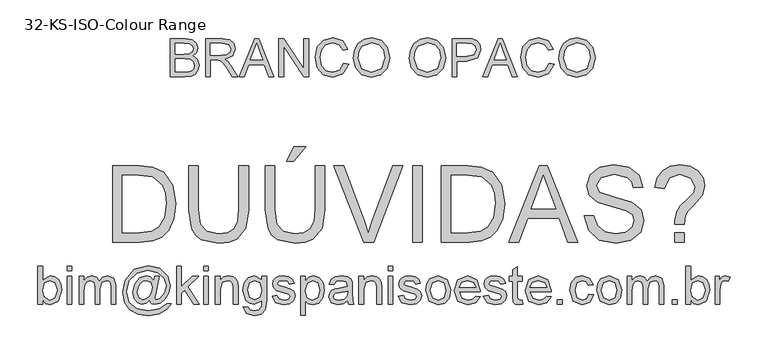
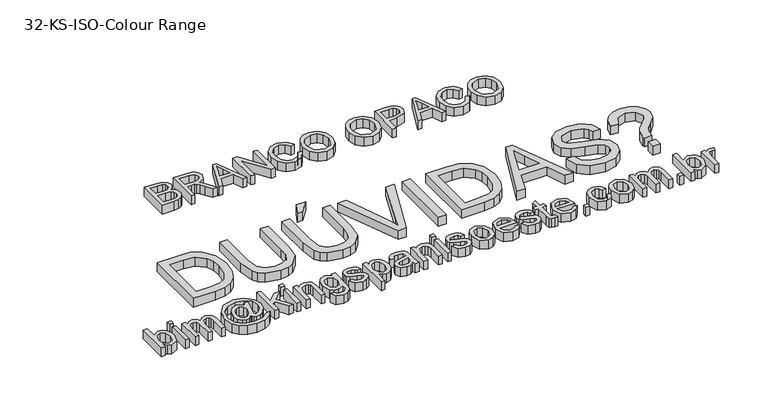
"""IFC4 building model written with IfcOpenShell, lengths in millimetres: proxy geometry, 32-KS-ISO-Colour Range."""

from ifc_helpers import new_model, si_unit, origin, origin_with_axes, place, context, project, spatial, polyline, outline, extrude, source, transform, mapped, element, save


def proxy_32_ks_iso_colour_range_5b26fe2e(model_context):
    return source(origin(), model_context, "Body", "SweptSolid", [
        extrude(outline(polyline([(-453.6983218, 38.0446852), (-459.9768412, 38.0446852), (-459.9768412, 88.2728402), (-453.6983218, 88.2728402), (-453.6983218, 69.6457485), (-443.8390844, 75.7158015), (-437.5483022, 74.3485067), (-432.6677344, 70.5041399), (-429.6694962, 64.5260574), (-428.5842443, 57.0396588), (-433.078536, 42.4224809), (-443.8758726, 37.2598702), (-449.4584818, 38.9245363), (-453.6983218, 43.9185343), (-453.6983218, 38.0446852)]), holes=[polyline([(-453.6983218, 56.7453532), (-451.9815392, 47.9652363), (-444.4154328, 43.5383896), (-437.695455, 46.8002766), (-434.8627637, 56.524624), (-437.5789591, 66.2857597), (-444.1456527, 69.4372821), (-450.8656305, 66.1753951), (-453.6983218, 56.7453532)])]), origin_with_axes(), (0.0, 0.0, 1.0), 15.0),
        extrude(outline(polyline([(-421.52091, 38.0446852), (-421.52091, 74.9309865), (-415.2423906, 74.9309865), (-415.2423906, 38.0446852), (-421.52091, 38.0446852)])), origin_with_axes(), (0.0, 0.0, 1.0), 15.0),
        extrude(outline(polyline([(-421.52091, 81.9943208), (-421.52091, 88.2728402), (-415.2423906, 88.2728402), (-415.2423906, 81.9943208), (-421.52091, 81.9943208)])), origin_with_axes(), (0.0, 0.0, 1.0), 15.0),
        extrude(outline(polyline([(-405.8246115, 38.0446852), (-405.8246115, 74.9309865), (-399.5460921, 74.9309865), (-399.5460921, 68.8609336), (-395.2296101, 73.8334719), (-389.0859807, 75.7158015), (-382.7951986, 73.7966837), (-379.3371079, 68.4194752), (-374.438146, 73.8917199), (-368.2515971, 75.7158015), (-360.0416972, 72.680775), (-357.1660863, 63.330441), (-357.1660863, 38.0446852), (-363.4446057, 38.0446852), (-363.4446057, 60.6326397), (-364.0270855, 65.8749581), (-366.1362756, 68.4562634), (-369.7231251, 69.4372821), (-375.8974112, 66.9234218), (-378.3560892, 58.8668061), (-378.3560892, 38.0446852), (-384.6346086, 38.0446852), (-384.6346086, 61.3316155), (-386.0877425, 67.4139311), (-390.8518143, 69.4372821), (-395.4993902, 68.0883814), (-398.5895989, 64.1397813), (-399.5460921, 56.6472514), (-399.5460921, 38.0446852), (-405.8246115, 38.0446852)])), origin_with_axes(), (0.0, 0.0, 1.0), 15.0),
        extrude(outline(polyline([(-312.4316357, 43.795907), (-317.3796485, 39.6204464), (-322.8794843, 38.0446852), (-328.7655963, 39.8473069), (-333.4070408, 45.3900623), (-335.1912684, 53.6060936), (-332.4260221, 64.6425534), (-325.5466288, 72.9444238), (-317.5574581, 75.7158015), (-311.9288636, 74.1400402), (-307.3058132, 69.3391802), (-306.1531163, 74.9309865), (-299.8745969, 74.9309865), (-305.0739958, 51.9015736), (-306.1531163, 46.5918102), (-305.4480091, 44.9915235), (-303.7496206, 44.3232045), (-298.9548919, 46.3097673), (-292.7438176, 53.2688684), (-290.4568178, 62.2881086), (-293.3998738, 72.4171262), (-302.1861221, 79.9525758), (-315.0926488, 82.7791358), (-329.8201913, 79.1922863), (-340.1576754, 68.9099846), (-343.8242326, 54.5625867), (-340.1944636, 40.7363551), (-329.6914326, 32.1769673), (-314.4672494, 29.411721), (-299.4944522, 32.1585732), (-290.4568178, 38.8295001), (-284.1782984, 38.8295001), (-290.1195927, 31.3614956), (-300.144377, 25.346625), (-314.1484183, 23.1332016), (-328.0604891, 25.0891076), (-338.9191393, 30.9629567), (-345.6759053, 39.9944597), (-348.5331221, 53.9739755), (-345.1240823, 69.9032659), (-333.3395957, 84.1219051), (-314.8106059, 89.0576552), (-299.6538677, 85.5995644), (-289.0466035, 75.2866058), (-285.7479283, 62.4720496), (-287.4585796, 53.1493067), (-292.5905334, 44.9240785), (-298.9916801, 39.7645335), (-305.9569126, 38.0446852), (-309.6970462, 38.7681864), (-311.7939736, 40.8283256), (-312.4316357, 43.795907)]), holes=[polyline([(-328.9127491, 53.5079917), (-326.7115885, 46.738963), (-321.6654738, 44.3232045), (-317.6616914, 45.3900623), (-313.6456463, 48.5538475), (-310.5125179, 53.8758737), (-309.292376, 60.3505968), (-311.5793757, 67.0521805), (-317.1527879, 69.4372821), (-321.2362781, 68.4010811), (-324.9457549, 65.0778804), (-327.8274972, 59.5167309), (-328.9127491, 53.5079917)])]), origin_with_axes(), (0.0, 0.0, 1.0), 15.0),
        extrude(outline(polyline([(-277.1149641, 38.0446852), (-277.1149641, 88.2728402), (-270.8364448, 88.2728402), (-270.8364448, 61.2825645), (-256.7588271, 74.9309865), (-248.076812, 74.9309865), (-262.3261079, 61.1108863), (-247.2919971, 38.0446852), (-254.6251115, 38.0446852), (-266.826531, 56.7453532), (-270.8364448, 52.8580668), (-270.8364448, 38.0446852), (-277.1149641, 38.0446852)])), origin_with_axes(), (0.0, 0.0, 1.0), 15.0),
        extrude(outline(polyline([(-241.7982926, 38.0446852), (-241.7982926, 74.9309865), (-235.5197732, 74.9309865), (-235.5197732, 38.0446852), (-241.7982926, 38.0446852)])), origin_with_axes(), (0.0, 0.0, 1.0), 15.0),
        extrude(outline(polyline([(-241.7982926, 81.9943208), (-241.7982926, 88.2728402), (-235.5197732, 88.2728402), (-235.5197732, 81.9943208), (-241.7982926, 81.9943208)])), origin_with_axes(), (0.0, 0.0, 1.0), 15.0),
        extrude(outline(polyline([(-226.1019941, 38.0446852), (-226.1019941, 74.9309865), (-219.8234748, 74.9309865), (-219.8234748, 69.7806386), (-215.0226147, 74.2320107), (-208.4681838, 75.7158015), (-202.5391523, 74.520185), (-198.4924504, 71.3809253), (-196.6101209, 66.7640062), (-196.2790271, 60.6939533), (-196.2790271, 38.0446852), (-202.5575464, 38.0446852), (-202.5575464, 59.8478247), (-203.2810477, 65.4028429), (-205.8378276, 68.3397675), (-210.1481783, 69.4372821), (-216.9601266, 66.9724727), (-219.8234748, 57.6160073), (-219.8234748, 38.0446852), (-226.1019941, 38.0446852)])), origin_with_axes(), (0.0, 0.0, 1.0), 15.0),
        extrude(outline(polyline([(-189.2156928, 34.9054255), (-182.9371734, 34.1206105), (-180.9015597, 30.8096726), (-174.8069813, 29.411721), (-168.3813091, 30.9936136), (-165.3156258, 35.432723), (-164.8864301, 42.7535747), (-174.6966167, 38.0446852), (-181.169807, 39.4150456), (-185.9967253, 43.5261269), (-190.0005077, 56.6717768), (-188.2040173, 66.4022556), (-183.0046184, 73.2877803), (-175.003185, 75.7158015), (-164.8864301, 70.222097), (-164.8864301, 74.9309865), (-158.6079108, 74.9309865), (-158.6079108, 43.0846685), (-160.3246934, 30.8893803), (-165.7632156, 25.2178663), (-174.9296086, 23.1332016), (-185.3713259, 26.0701262), (-189.2156928, 34.9054255)]), holes=[polyline([(-183.7219883, 57.1009725), (-181.0425811, 47.3827565), (-174.316472, 44.3232045), (-167.6026255, 47.3643624), (-164.8864301, 56.9170315), (-167.6823333, 66.2796283), (-174.4145738, 69.4372821), (-181.0057929, 66.3286792), (-183.7219883, 57.1009725)])]), origin_with_axes(), (0.0, 0.0, 1.0), 15.0),
        extrude(outline(polyline([(-151.5445765, 49.0320941), (-145.2660571, 49.816909), (-142.3597893, 45.1570704), (-135.7011252, 43.5383896), (-129.2999785, 45.0221803), (-127.2153138, 48.5047966), (-129.3122412, 51.3252252), (-135.7747016, 53.1155842), (-145.2292689, 56.1873989), (-149.3556786, 59.7742483), (-150.7597615, 64.8387571), (-149.6315901, 69.5169898), (-146.5536441, 73.0915766), (-142.5621244, 74.9493806), (-137.1603904, 75.7158015), (-129.5207077, 74.4833968), (-124.6646653, 71.1479334), (-122.5064243, 65.5132075), (-128.7849437, 64.7283925), (-131.1455198, 68.1926147), (-136.6698811, 69.4372821), (-142.6786204, 68.247797), (-144.4812421, 65.4764193), (-143.7332154, 63.649272), (-141.3910334, 62.2635832), (-135.9831681, 60.9269453), (-126.7677241, 57.9716266), (-122.4880302, 54.6239004), (-120.9367945, 49.1669841), (-122.7578103, 43.1582449), (-128.0123915, 38.7988432), (-135.7869643, 37.2598702), (-146.737585, 40.2274517), (-151.5445765, 49.0320941)])), origin_with_axes(), (0.0, 0.0, 1.0), 15.0),
        extrude(outline(polyline([(-113.8734601, 23.9180165), (-113.8734601, 74.9309865), (-107.5949408, 74.9309865), (-107.5949408, 68.7750945), (-103.2539332, 73.9806247), (-97.3923468, 75.7158015), (-89.4338329, 73.2877803), (-84.2344341, 66.4451752), (-82.4808632, 56.7698787), (-84.4612946, 46.5979415), (-90.2125165, 39.6694973), (-98.1526362, 37.2598702), (-103.6156838, 38.8724196), (-107.5949408, 42.9497784), (-107.5949408, 23.9180165), (-113.8734601, 23.9180165)]), holes=[polyline([(-107.5949408, 56.1935303), (-104.8787454, 46.6285984), (-98.2875263, 43.5383896), (-91.5614171, 46.738963), (-88.7593826, 56.6595141), (-91.4939721, 66.2489715), (-98.0300089, 69.4372821), (-104.6948044, 66.0466364), (-107.5949408, 56.1935303)])]), origin_with_axes(), (0.0, 0.0, 1.0), 15.0),
        extrude(outline(polyline([(-51.8730812, 42.7535747), (-57.9615282, 38.4984063), (-64.6876374, 37.2598702), (-73.8049795, 40.2397144), (-76.9871588, 47.8548717), (-75.7854109, 52.8212786), (-72.6277571, 56.4265222), (-68.2315673, 58.4866614), (-62.7991765, 59.4308918), (-51.9098694, 61.5891328), (-53.6021266, 67.6223976), (-60.5428336, 69.4372821), (-66.8949294, 68.2294029), (-69.9238245, 63.9435776), (-76.2023438, 64.7283925), (-73.4861484, 70.8597591), (-68.0169694, 74.4527399), (-59.7334932, 75.7158015), (-52.1244673, 74.5998927), (-47.8263793, 71.7978582), (-45.9011302, 67.5365584), (-45.5945618, 62.042854), (-45.5945618, 54.2314929), (-45.2757308, 43.3237918), (-44.024932, 38.0446852), (-50.3034514, 38.0446852), (-51.8730812, 42.7535747)]), holes=[polyline([(-51.8730812, 55.3106135), (-62.0020988, 53.3853644), (-67.4038328, 52.3675575), (-69.8502481, 50.7120885), (-70.7086394, 48.2963301), (-68.8385726, 44.899553), (-63.3509995, 43.5383896), (-56.9989037, 45.0405744), (-52.9031508, 48.6764748), (-51.9098694, 53.5325172), (-51.8730812, 55.3106135)])]), origin_with_axes(), (0.0, 0.0, 1.0), 15.0),
        extrude(outline(polyline([(-36.9615977, 38.0446852), (-36.9615977, 74.9309865), (-30.6830783, 74.9309865), (-30.6830783, 69.7806386), (-25.8822183, 74.2320107), (-19.3277874, 75.7158015), (-13.3987559, 74.520185), (-9.3520539, 71.3809253), (-7.4697244, 66.7640062), (-7.1386306, 60.6939533), (-7.1386306, 38.0446852), (-13.41715, 38.0446852), (-13.41715, 59.8478247), (-14.1406513, 65.4028429), (-16.6974311, 68.3397675), (-21.0077818, 69.4372821), (-27.8197301, 66.9724727), (-30.6830783, 57.6160073), (-30.6830783, 38.0446852), (-36.9615977, 38.0446852)])), origin_with_axes(), (0.0, 0.0, 1.0), 15.0),
        extrude(outline(polyline([(1.4943335, 81.9943208), (1.4943335, 88.2728402), (7.7728529, 88.2728402), (7.7728529, 81.9943208), (1.4943335, 81.9943208)])), origin_with_axes(), (0.0, 0.0, 1.0), 15.0),
        extrude(outline(polyline([(1.4943335, 38.0446852), (1.4943335, 74.9309865), (7.7728529, 74.9309865), (7.7728529, 38.0446852), (1.4943335, 38.0446852)])), origin_with_axes(), (0.0, 0.0, 1.0), 15.0),
        extrude(outline(polyline([(14.8361872, 49.0320941), (21.1147066, 49.816909), (24.0209744, 45.1570704), (30.6796385, 43.5383896), (37.0807852, 45.0221803), (39.1654498, 48.5047966), (37.0685225, 51.3252252), (30.6060621, 53.1155842), (21.1514948, 56.1873989), (17.0250851, 59.7742483), (15.6210022, 64.8387571), (16.7491736, 69.5169898), (19.8271196, 73.0915766), (23.8186393, 74.9493806), (29.2203732, 75.7158015), (36.860056, 74.4833968), (41.7160983, 71.1479334), (43.8743394, 65.5132075), (37.59582, 64.7283925), (35.2352439, 68.1926147), (29.7108826, 69.4372821), (23.7021433, 68.247797), (21.8995215, 65.4764193), (22.6475483, 63.649272), (24.9897303, 62.2635832), (30.3975956, 60.9269453), (39.6130396, 57.9716266), (43.8927335, 54.6239004), (45.4439692, 49.1669841), (43.6229534, 43.1582449), (38.3683722, 38.7988432), (30.5937994, 37.2598702), (19.6431786, 40.2274517), (14.8361872, 49.0320941)])), origin_with_axes(), (0.0, 0.0, 1.0), 15.0),
        extrude(outline(polyline([(50.9376737, 56.4878358), (52.2957714, 65.3813831), (56.3700645, 71.6323113), (67.4310498, 75.7158015), (79.2952442, 70.7432632), (83.8999005, 57.0028706), (81.8642868, 45.8315207), (75.9352553, 39.5100818), (67.4310498, 37.2598702), (55.4932791, 42.2140144), (50.9376737, 56.4878358)]), holes=[polyline([(57.2161931, 56.5000986), (60.1224608, 46.7696198), (67.4310498, 43.5383896), (74.7151133, 46.7880139), (77.6213811, 56.6963023), (74.6967192, 66.2060519), (67.4310498, 69.4372821), (60.1224608, 66.2183146), (57.2161931, 56.5000986)])]), origin_with_axes(), (0.0, 0.0, 1.0), 15.0),
        extrude(outline(polyline([(116.7885508, 49.0320941), (122.9444429, 48.2472792), (117.1870897, 40.1416125), (106.4633295, 37.2598702), (93.4280441, 42.2324085), (88.60879, 56.1812675), (93.4770951, 70.589979), (106.1077102, 75.7158015), (118.3765748, 70.6022417), (123.1406466, 56.2180557), (123.1038584, 54.5257985), (94.8873094, 54.5257985), (98.4986843, 46.371081), (106.5859568, 43.5383896), (112.7418489, 44.8505021), (116.7885508, 49.0320941)]), holes=[polyline([(94.8873094, 60.8043179), (116.8621272, 60.8043179), (114.3482669, 66.4942261), (106.0831848, 69.4372821), (98.3515315, 67.0889687), (94.8873094, 60.8043179)])]), origin_with_axes(), (0.0, 0.0, 1.0), 15.0),
        extrude(outline(polyline([(127.0647212, 49.0320941), (133.3432406, 49.816909), (136.2495084, 45.1570704), (142.9081725, 43.5383896), (149.3093192, 45.0221803), (151.3939838, 48.5047966), (149.2970565, 51.3252252), (142.8345961, 53.1155842), (133.3800288, 56.1873989), (129.2536191, 59.7742483), (127.8495362, 64.8387571), (128.9777076, 69.5169898), (132.0556536, 73.0915766), (136.0471733, 74.9493806), (141.4489072, 75.7158015), (149.08859, 74.4833968), (153.9446323, 71.1479334), (156.1028734, 65.5132075), (149.824354, 64.7283925), (147.4637779, 68.1926147), (141.9394166, 69.4372821), (135.9306773, 68.247797), (134.1280555, 65.4764193), (134.8760823, 63.649272), (137.2182643, 62.2635832), (142.6261296, 60.9269453), (151.8415736, 57.9716266), (156.1212675, 54.6239004), (157.6725032, 49.1669841), (155.8514874, 43.1582449), (150.5969062, 38.7988432), (142.8223334, 37.2598702), (131.8717126, 40.2274517), (127.0647212, 49.0320941)])), origin_with_axes(), (0.0, 0.0, 1.0), 15.0),
        extrude(outline(polyline([(178.0776912, 43.2808722), (178.8625061, 37.8607442), (174.1658793, 37.2598702), (168.9051668, 38.3022026), (166.2809419, 41.036792), (165.5206525, 48.16144), (165.5206525, 68.6524672), (160.8117629, 68.6524672), (160.8117629, 74.9309865), (165.5206525, 74.9309865), (165.5206525, 83.8950445), (171.7991718, 87.5861272), (171.7991718, 74.9309865), (178.0776912, 74.9309865), (178.0776912, 68.6524672), (171.7991718, 68.6524672), (171.7991718, 48.345381), (172.1302656, 45.1080195), (175.3431017, 43.5383896), (178.0776912, 43.2808722)])), origin_with_axes(), (0.0, 0.0, 1.0), 15.0),
        extrude(outline(polyline([(210.1815267, 49.0320941), (216.3374187, 48.2472792), (210.5800655, 40.1416125), (199.8563053, 37.2598702), (186.82102, 42.2324085), (182.0017658, 56.1812675), (186.8700709, 70.589979), (199.5006861, 75.7158015), (211.7695506, 70.6022417), (216.5336225, 56.2180557), (216.4968343, 54.5257985), (188.2802852, 54.5257985), (191.8916601, 46.371081), (199.9789327, 43.5383896), (206.1348247, 44.8505021), (210.1815267, 49.0320941)]), holes=[polyline([(188.2802852, 60.8043179), (210.2551031, 60.8043179), (207.7412428, 66.4942261), (199.4761606, 69.4372821), (191.7445073, 67.0889687), (188.2802852, 60.8043179)])]), origin_with_axes(), (0.0, 0.0, 1.0), 15.0),
        extrude(outline(polyline([(224.3817717, 38.0446852), (224.3817717, 44.3232045), (230.6602911, 44.3232045), (230.6602911, 38.0446852), (224.3817717, 38.0446852)])), origin_with_axes(), (0.0, 0.0, 1.0), 15.0),
        extrude(outline(polyline([(265.9769626, 51.3865388), (272.255482, 50.6017239), (267.2154987, 40.7976688), (257.2581593, 37.2598702), (245.3571768, 42.1956203), (240.8628851, 56.3529458), (242.7820028, 66.7824003), (248.6313265, 73.483984), (257.1723202, 75.7158015), (266.718858, 72.6501182), (271.4706671, 63.9435776), (265.1921477, 63.1587627), (262.2797486, 67.8615209), (257.2213711, 69.4372821), (249.943439, 66.3348106), (247.1414045, 56.524624), (249.8821253, 46.622467), (257.0496929, 43.5383896), (262.9664616, 45.4636387), (265.9769626, 51.3865388)])), origin_with_axes(), (0.0, 0.0, 1.0), 15.0),
        extrude(outline(polyline([(276.1795566, 56.4878358), (277.5376543, 65.3813831), (281.6119474, 71.6323113), (292.6729327, 75.7158015), (304.5371271, 70.7432632), (309.1417834, 57.0028706), (307.1061697, 45.8315207), (301.1771382, 39.5100818), (292.6729327, 37.2598702), (280.735162, 42.2140144), (276.1795566, 56.4878358)]), holes=[polyline([(282.458076, 56.5000986), (285.3643438, 46.7696198), (292.6729327, 43.5383896), (299.9569962, 46.7880139), (302.863264, 56.6963023), (299.9386021, 66.2060519), (292.6729327, 69.4372821), (285.3643438, 66.2183146), (282.458076, 56.5000986)])]), origin_with_axes(), (0.0, 0.0, 1.0), 15.0),
        extrude(outline(polyline([(316.2051177, 38.0446852), (316.2051177, 74.9309865), (322.4836371, 74.9309865), (322.4836371, 68.8609336), (326.8001191, 73.8334719), (332.9437485, 75.7158015), (339.2345306, 73.7966837), (342.6926213, 68.4194752), (347.5915832, 73.8917199), (353.7781321, 75.7158015), (361.988032, 72.680775), (364.8636429, 63.330441), (364.8636429, 38.0446852), (358.5851235, 38.0446852), (358.5851235, 60.6326397), (358.0026437, 65.8749581), (355.8934536, 68.4562634), (352.3066041, 69.4372821), (346.132318, 66.9234218), (343.67364, 58.8668061), (343.67364, 38.0446852), (337.3951206, 38.0446852), (337.3951206, 61.3316155), (335.9419867, 67.4139311), (331.1779149, 69.4372821), (326.530339, 68.0883814), (323.4401303, 64.1397813), (322.4836371, 56.6472514), (322.4836371, 38.0446852), (316.2051177, 38.0446852)])), origin_with_axes(), (0.0, 0.0, 1.0), 15.0),
        extrude(outline(polyline([(375.8510518, 38.0446852), (375.8510518, 44.3232045), (382.1295712, 44.3232045), (382.1295712, 38.0446852), (375.8510518, 38.0446852)])), origin_with_axes(), (0.0, 0.0, 1.0), 15.0),
        extrude(outline(polyline([(400.1803144, 38.0446852), (393.9017951, 38.0446852), (393.9017951, 88.2728402), (400.1803144, 88.2728402), (400.1803144, 69.6457485), (410.0395519, 75.7158015), (416.330334, 74.3485067), (421.2109018, 70.5041399), (424.2091401, 64.5260574), (425.294392, 57.0396588), (420.8001003, 42.4224809), (410.0027637, 37.2598702), (404.4201544, 38.9245363), (400.1803144, 43.9185343), (400.1803144, 38.0446852)]), holes=[polyline([(400.1803144, 56.7453532), (401.8970971, 47.9652363), (409.4632035, 43.5383896), (416.1831812, 46.8002766), (419.0158726, 56.524624), (416.2996772, 66.2857597), (409.7329836, 69.4372821), (403.0130058, 66.1753951), (400.1803144, 56.7453532)])]), origin_with_axes(), (0.0, 0.0, 1.0), 15.0),
        extrude(outline(polyline([(432.3577263, 38.0446852), (432.3577263, 74.9309865), (437.8514308, 74.9309865), (437.8514308, 69.4740703), (441.7509799, 74.5017909), (445.6750545, 75.7158015), (451.9780994, 73.7782896), (449.881172, 68.1496951), (445.4665881, 69.4372821), (441.9165268, 68.198746), (439.6540525, 64.7651807), (438.6362457, 57.4320663), (438.6362457, 38.0446852), (432.3577263, 38.0446852)])), origin_with_axes(), (0.0, 0.0, 1.0), 15.0),
        extrude(outline(polyline([(-361.4711747, 120.0), (-361.4711747, 220.4563101), (-326.8166908, 220.4563101), (-308.8885749, 219.0093076), (-294.1242442, 211.823346), (-282.229393, 194.6555196), (-278.2807929, 170.7677153), (-280.9540687, 150.4974174), (-287.8211993, 135.8679767), (-296.9937237, 126.756766), (-308.9989395, 121.7167826), (-325.1489591, 120.0), (-361.4711747, 120.0)]), holes=[polyline([(-348.914136, 132.5570388), (-326.6940635, 132.5570388), (-310.5317812, 134.3719233), (-301.2121039, 139.4977457), (-293.5724212, 151.9689454), (-290.8378317, 170.9639191), (-292.1775353, 184.6491293), (-296.1966461, 194.7536214), (-309.2319314, 205.8881831), (-327.03742, 207.8992714), (-348.914136, 207.8992714), (-348.914136, 132.5570388)])]), origin_with_axes(), (0.0, 0.0, 1.0), 15.0),
        extrude(outline(polyline([(-195.0904111, 220.4563101), (-182.5333723, 220.4563101), (-182.5333723, 162.5026332), (-185.9424121, 138.4799389), (-198.2296708, 124.0099137), (-208.4935784, 119.8252561), (-221.5288638, 118.4303702), (-244.4724376, 123.2864125), (-252.1121203, 129.2307724), (-257.2011546, 137.3517674), (-261.0148646, 162.5026332), (-261.0148646, 220.4563101), (-248.4578258, 220.4563101), (-248.4578258, 162.9440916), (-245.9807537, 143.8019651), (-237.4704169, 134.3228723), (-222.7060862, 130.9874089), (-209.9344496, 132.6367465), (-201.4425068, 137.5847594), (-196.678435, 147.2232676), (-195.0904111, 162.9440916), (-195.0904111, 220.4563101)])), origin_with_axes(), (0.0, 0.0, 1.0), 15.0),
        extrude(outline(polyline([(-94.6341009, 220.4563101), (-82.0770621, 220.4563101), (-82.0770621, 162.5026332), (-85.486102, 138.4799389), (-97.7733606, 124.0099137), (-108.0372683, 119.8252561), (-121.0725536, 118.4303702), (-144.0161274, 123.2864125), (-151.6558102, 129.2307724), (-156.7448444, 137.3517674), (-160.5585545, 162.5026332), (-160.5585545, 220.4563101), (-148.0015157, 220.4563101), (-148.0015157, 162.9440916), (-145.5244436, 143.8019651), (-137.0141068, 134.3228723), (-122.249776, 130.9874089), (-109.4781394, 132.6367465), (-100.9861967, 137.5847594), (-96.2221249, 147.2232676), (-94.6341009, 162.9440916), (-94.6341009, 220.4563101)])), origin_with_axes(), (0.0, 0.0, 1.0), 15.0),
        extrude(outline(polyline([(-132.3052172, 226.7348295), (-122.8874381, 245.5703877), (-107.1911397, 245.5703877), (-122.8874381, 226.7348295), (-132.3052172, 226.7348295)])), origin_with_axes(), (0.0, 0.0, 1.0), 15.0),
        extrude(outline(polyline([(-30.42643, 120.0), (-70.4029402, 220.4563101), (-56.9629846, 220.4563101), (-30.2057008, 148.081659), (-24.7855728, 131.7722238), (-19.4390211, 148.081659), (7.3918391, 220.4563101), (20.8317946, 220.4563101), (-17.4524583, 120.0), (-30.42643, 120.0)])), origin_with_axes(), (0.0, 0.0, 1.0), 15.0),
        extrude(outline(polyline([(34.0755465, 120.0), (34.0755465, 220.4563101), (46.6325852, 220.4563101), (46.6325852, 120.0), (34.0755465, 120.0)])), origin_with_axes(), (0.0, 0.0, 1.0), 15.0),
        extrude(outline(polyline([(71.7466628, 120.0), (71.7466628, 220.4563101), (106.4011467, 220.4563101), (124.3292626, 219.0093076), (139.0935934, 211.823346), (150.9884445, 194.6555196), (154.9370446, 170.7677153), (152.2637688, 150.4974174), (145.3966382, 135.8679767), (136.2241138, 126.756766), (124.218898, 121.7167826), (108.0688784, 120.0), (71.7466628, 120.0)]), holes=[polyline([(84.3037015, 132.5570388), (106.523774, 132.5570388), (122.6860564, 134.3719233), (132.0057336, 139.4977457), (139.6454163, 151.9689454), (142.3800058, 170.9639191), (141.0403022, 184.6491293), (137.0211914, 194.7536214), (123.9859061, 205.8881831), (106.1804175, 207.8992714), (84.3037015, 207.8992714), (84.3037015, 132.5570388)])]), origin_with_axes(), (0.0, 0.0, 1.0), 15.0),
        extrude(outline(polyline([(160.5043255, 120.0), (200.6034629, 220.4563101), (211.2965663, 220.4563101), (251.3957037, 120.0), (238.1274265, 120.0), (226.6249827, 151.3925969), (185.250521, 151.3925969), (173.7726028, 120.0), (160.5043255, 120.0)]), holes=[polyline([(189.8613087, 163.9496357), (222.0387205, 163.9496357), (212.9888235, 188.6467803), (205.9500146, 207.8992714), (199.6960207, 190.8050213), (189.8613087, 163.9496357)])]), origin_with_axes(), (0.0, 0.0, 1.0), 15.0),
        extrude(outline(polyline([(260.1022443, 154.5318566), (272.6592831, 154.5318566), (276.705985, 141.9625551), (286.589748, 134.016304), (301.6483843, 130.9874089), (314.7695088, 133.28054), (323.2430574, 139.5835849), (326.0266978, 148.0080826), (323.9420332, 155.8439691), (315.4071709, 161.54614), (297.1234357, 166.3408687), (277.441749, 172.5335489), (266.7609084, 181.8777516), (263.241504, 194.361214), (267.5947743, 208.5737217), (280.3112286, 218.6046374), (298.9260575, 222.02594), (318.7916853, 218.4452219), (332.0354371, 207.9237968), (337.0141068, 192.2029729), (324.457068, 192.2029729), (322.1516742, 199.6955029), (317.3446828, 205.1033682), (299.4165669, 209.4689012), (281.4394, 205.1524192), (275.7985428, 194.729096), (279.7961938, 186.0225554), (300.2994836, 179.008272), (322.5195561, 172.7052272), (334.6719247, 162.5271586), (338.5837366, 148.3269136), (334.0833135, 133.3050655), (321.1338673, 122.342182), (302.1388936, 118.4303702), (279.7103546, 122.6487504), (265.5223724, 135.3529419), (260.1022443, 154.5318566)])), origin_with_axes(), (0.0, 0.0, 1.0), 15.0),
        extrude(outline(polyline([(379.3941126, 120.0), (379.3941126, 132.5570388), (391.9511514, 132.5570388), (391.9511514, 120.0), (379.3941126, 120.0)])), origin_with_axes(), (0.0, 0.0, 1.0), 15.0),
        extrude(outline(polyline([(379.3941126, 143.5444477), (379.3205362, 147.2477931), (381.4297263, 159.8293573), (386.4329214, 167.8737103), (395.5441322, 176.5066745), (404.1035199, 185.3603678), (406.07782, 192.3010748), (400.2652845, 204.3062906), (386.0159885, 209.4689012), (372.4166174, 204.9071645), (365.267444, 190.6333431), (352.7104052, 192.2029729), (356.168496, 204.9592811), (363.060152, 214.3372063), (373.0542796, 220.1037566), (385.8197848, 222.02594), (399.2873315, 219.9780636), (409.7198517, 213.8344342), (416.406107, 204.7906685), (418.6348588, 194.0423829), (415.5691755, 181.6570224), (403.551697, 168.0208631), (395.7035477, 160.1114002), (392.981221, 154.2743392), (391.9511514, 143.5444477), (379.3941126, 143.5444477)])), origin_with_axes(), (0.0, 0.0, 1.0), 15.0),
        extrude(outline(polyline([(-285.3555208, 338.0446852), (-285.3555208, 388.2728402), (-266.1888689, 388.2728402), (-256.8017466, 386.7951809), (-251.2589912, 382.2518382), (-249.2540344, 375.8261661), (-250.9401602, 369.9584482), (-256.0353258, 365.5132075), (-249.8487769, 360.8288434), (-247.6844045, 353.0174824), (-249.1620639, 346.2668477), (-252.8224897, 341.4598563), (-258.2855374, 338.9092078), (-266.3360217, 338.0446852), (-285.3555208, 338.0446852)]), holes=[polyline([(-279.0770014, 367.8676522), (-267.6113459, 367.8676522), (-260.9158936, 368.4072125), (-256.8875858, 370.7310004), (-255.5325538, 374.8206219), (-256.7956153, 378.9163748), (-260.4131216, 381.3382646), (-268.482, 381.9943208), (-279.0770014, 381.9943208), (-279.0770014, 367.8676522)]), polyline([(-279.0770014, 344.3232045), (-266.2011316, 344.3232045), (-261.541293, 344.5684592), (-257.5988243, 345.935754), (-254.9868621, 348.7255257), (-253.9629239, 352.9561687), (-255.1646718, 357.8367365), (-259.0580895, 360.7491356), (-266.8142683, 361.5891328), (-279.0770014, 361.5891328), (-279.0770014, 344.3232045)])]), origin_with_axes(), (0.0, 0.0, 1.0), 15.0),
        extrude(outline(polyline([(-239.0514404, 338.0446852), (-239.0514404, 388.2728402), (-217.4077163, 388.2728402), (-207.3584065, 386.9178082), (-201.864702, 382.1230795), (-199.8106942, 374.5263163), (-203.2136027, 365.4764193), (-213.7288964, 360.8043179), (-210.160441, 358.1187794), (-205.0714067, 351.656319), (-196.69596, 338.0446852), (-203.9922862, 338.0446852), (-210.528323, 348.4557456), (-215.2494753, 355.3474017), (-218.5665446, 358.6031573), (-221.5525201, 359.7987738), (-225.1945519, 360.019503), (-232.772921, 360.019503), (-232.772921, 338.0446852), (-239.0514404, 338.0446852)]), holes=[polyline([(-232.772921, 366.2980224), (-218.7198288, 366.2980224), (-211.5522612, 367.1870705), (-207.4810338, 370.0320246), (-206.0892136, 374.2933244), (-208.7440953, 379.8238171), (-217.1379362, 381.9943208), (-232.772921, 381.9943208), (-232.772921, 366.2980224)])]), origin_with_axes(), (0.0, 0.0, 1.0), 15.0),
        extrude(outline(polyline([(-194.672609, 338.0446852), (-174.6230403, 388.2728402), (-169.2764886, 388.2728402), (-149.2269199, 338.0446852), (-155.8610585, 338.0446852), (-161.6122804, 353.7409836), (-182.2995112, 353.7409836), (-188.0384704, 338.0446852), (-194.672609, 338.0446852)]), holes=[polyline([(-179.9941174, 360.019503), (-163.9054115, 360.019503), (-168.43036, 372.3680753), (-171.9497645, 381.9943208), (-175.0767614, 373.4471958), (-179.9941174, 360.019503)])]), origin_with_axes(), (0.0, 0.0, 1.0), 15.0),
        extrude(outline(polyline([(-142.5192048, 338.0446852), (-142.5192048, 388.2728402), (-135.7992271, 388.2728402), (-109.5569781, 348.4802711), (-109.5569781, 388.2728402), (-103.2784587, 388.2728402), (-103.2784587, 338.0446852), (-109.9984365, 338.0446852), (-136.2406855, 377.849517), (-136.2406855, 338.0446852), (-142.5192048, 338.0446852)])), origin_with_axes(), (0.0, 0.0, 1.0), 15.0),
        extrude(outline(polyline([(-56.9743782, 355.8992247), (-50.6958588, 354.2805439), (-58.1393379, 341.6192719), (-71.2849878, 337.2598702), (-84.35093, 340.5585455), (-92.0151383, 350.1112146), (-94.6454945, 363.5389074), (-91.6717817, 377.1873294), (-83.2166272, 386.0348914), (-71.1500978, 389.0576552), (-58.5746649, 385.1458433), (-51.4806738, 374.1339089), (-57.7591931, 372.6378554), (-62.9095411, 380.357246), (-71.3953524, 382.7791358), (-81.2178017, 380.0935972), (-86.7666885, 372.8831101), (-88.3669751, 363.5511702), (-86.4723829, 352.7354395), (-80.5740082, 345.8253894), (-71.9103872, 343.5383896), (-62.3025358, 346.6531238), (-56.9743782, 355.8992247)])), origin_with_axes(), (0.0, 0.0, 1.0), 15.0),
        extrude(outline(polyline([(-44.4173395, 362.4965751), (-42.7434764, 373.6035457), (-37.7218871, 382.0065836), (-30.0546132, 387.2948873), (-20.4436961, 389.0576552), (-7.947971, 385.7467172), (0.5378404, 376.5128791), (3.4563708, 363.0729236), (0.3845562, 349.449027), (-8.3219844, 340.350079), (-20.4804843, 337.2598702), (-33.1110995, 340.6750414), (-41.5478599, 349.9947186), (-44.4173395, 362.4965751)]), holes=[polyline([(-38.1388201, 362.4352614), (-33.1172308, 348.5906357), (-20.5172725, 343.5383896), (-7.8069496, 348.6396866), (-2.8221485, 363.1219745), (-4.9558641, 373.483984), (-11.1914639, 380.3449832), (-20.4069079, 382.7791358), (-32.902633, 378.0886403), (-36.8297733, 371.8300479), (-38.1388201, 362.4352614)])]), origin_with_axes(), (0.0, 0.0, 1.0), 15.0),
        extrude(outline(polyline([(29.3552633, 362.4965751), (31.0291264, 373.6035457), (36.0507156, 382.0065836), (43.7179895, 387.2948873), (53.3289067, 389.0576552), (65.8246318, 385.7467172), (74.3104431, 376.5128791), (77.2289736, 363.0729236), (74.157159, 349.449027), (65.4506184, 340.350079), (53.2921185, 337.2598702), (40.6615033, 340.6750414), (32.2247429, 349.9947186), (29.3552633, 362.4965751)]), holes=[polyline([(35.6337827, 362.4352614), (40.6553719, 348.5906357), (53.2553303, 343.5383896), (65.9656532, 348.6396866), (70.9504542, 363.1219745), (68.8167387, 373.483984), (62.5811388, 380.3449832), (53.3656949, 382.7791358), (40.8699698, 378.0886403), (36.9428295, 371.8300479), (35.6337827, 362.4352614)])]), origin_with_axes(), (0.0, 0.0, 1.0), 15.0),
        extrude(outline(polyline([(85.8619378, 338.0446852), (85.8619378, 388.2728402), (104.4767667, 388.2728402), (111.9815594, 387.7945936), (118.0822692, 385.4462802), (122.0370006, 380.5902379), (123.5330541, 373.7415014), (119.4924835, 362.8889826), (104.9059624, 358.4498732), (92.1404572, 358.4498732), (92.1404572, 338.0446852), (85.8619378, 338.0446852)]), holes=[polyline([(92.1404572, 364.7283925), (105.2738444, 364.7283925), (114.5199452, 367.0337864), (117.2545347, 373.5207722), (115.6419853, 378.7201711), (111.405211, 381.5651252), (105.1266916, 381.9943208), (92.1404572, 381.9943208), (92.1404572, 364.7283925)])]), origin_with_axes(), (0.0, 0.0, 1.0), 15.0),
        extrude(outline(polyline([(126.3166945, 338.0446852), (146.3662632, 388.2728402), (151.7128149, 388.2728402), (171.7623836, 338.0446852), (165.128245, 338.0446852), (159.3770231, 353.7409836), (138.6897923, 353.7409836), (132.9508332, 338.0446852), (126.3166945, 338.0446852)]), holes=[polyline([(140.9951861, 360.019503), (157.083892, 360.019503), (152.5589435, 372.3680753), (149.0395391, 381.9943208), (145.9125421, 373.4471958), (140.9951861, 360.019503)])]), origin_with_axes(), (0.0, 0.0, 1.0), 15.0),
        extrude(outline(polyline([(213.7867702, 355.8992247), (220.0652896, 354.2805439), (212.6218106, 341.6192719), (199.4761606, 337.2598702), (186.4102184, 340.5585455), (178.7460102, 350.1112146), (176.1156539, 363.5389074), (179.0893667, 377.1873294), (187.5445212, 386.0348914), (199.6110507, 389.0576552), (212.1864835, 385.1458433), (219.2804747, 374.1339089), (213.0019553, 372.6378554), (207.8516074, 380.357246), (199.365796, 382.7791358), (189.5433467, 380.0935972), (183.99446, 372.8831101), (182.3941733, 363.5511702), (184.2887656, 352.7354395), (190.1871402, 345.8253894), (198.8507612, 343.5383896), (208.4586127, 346.6531238), (213.7867702, 355.8992247)])), origin_with_axes(), (0.0, 0.0, 1.0), 15.0),
        extrude(outline(polyline([(226.343809, 362.4965751), (228.0176721, 373.6035457), (233.0392613, 382.0065836), (240.7065352, 387.2948873), (250.3174523, 389.0576552), (262.8131774, 385.7467172), (271.2989888, 376.5128791), (274.2175193, 363.0729236), (271.1457046, 349.449027), (262.4391641, 340.350079), (250.2806641, 337.2598702), (237.650049, 340.6750414), (229.2132886, 349.9947186), (226.343809, 362.4965751)]), holes=[polyline([(232.6223284, 362.4352614), (237.6439176, 348.5906357), (250.2438759, 343.5383896), (262.9541989, 348.6396866), (267.9389999, 363.1219745), (265.8052843, 373.483984), (259.5696845, 380.3449832), (250.3542405, 382.7791358), (237.8585154, 378.0886403), (233.9313751, 371.8300479), (232.6223284, 362.4352614)])]), origin_with_axes(), (0.0, 0.0, 1.0), 15.0),
    ])


if __name__ == "__main__":
    model = new_model("IFC4")
    model_context = context("Model", 3, world=origin())
    ifc_project = project(units=[si_unit("LENGTHUNIT", "METRE", prefix="MILLI")], contexts=[model_context])
    site = spatial("IfcSite", under=ifc_project)
    building = spatial("IfcBuilding", under=site)
    placement = place(None, origin())
    proxy_32_ks_iso_colour_range_shape = proxy_32_ks_iso_colour_range_5b26fe2e(model_context)
    element("IfcBuildingElementProxy", 1, Name="32-KS-ISO-Colour Range", ObjectType="32-KS-ISO-Colour Range", at=placement, inside=building, context=model_context, shape_type="MappedRepresentation", body=[
        mapped(proxy_32_ks_iso_colour_range_shape, transform((0.0, 0.0, 0.0), x_axis=(1.0, 0.0, 0.0), y_axis=(0.0, 1.0, 0.0), z_axis=(0.0, 0.0, 1.0))),
    ])
    save(model, "model.ifc")
